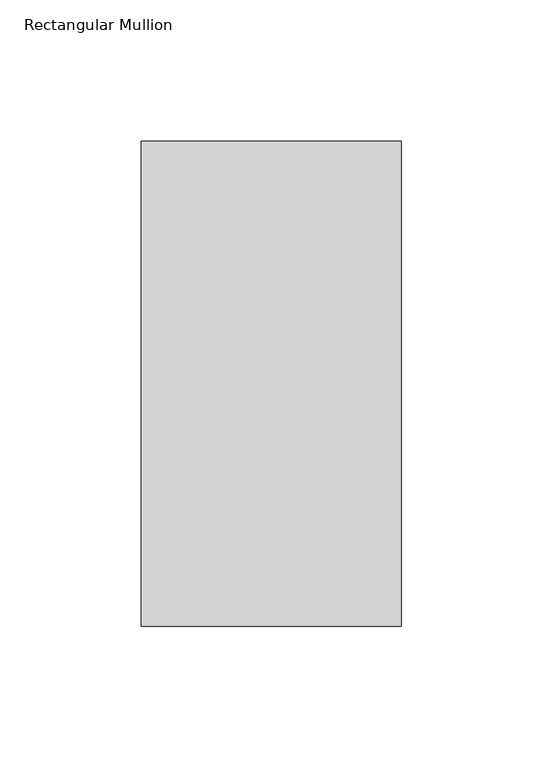
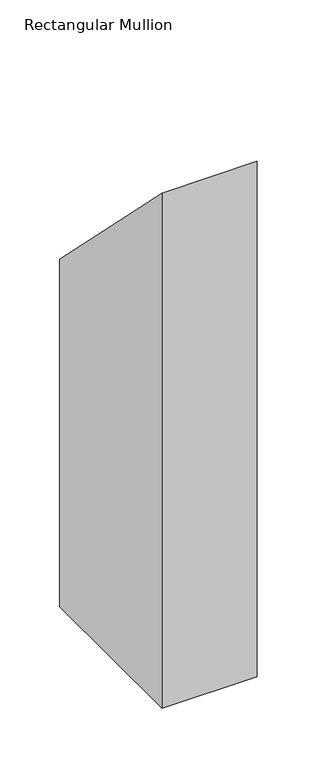
"""IFC4 building model written with IfcOpenShell, lengths in millimetres: member geometry, Rectangular Mullion."""

from ifc_helpers import new_model, si_unit, frame, origin, place, context, project, spatial, polyline, outline, extrude, source, transform, mapped, element, save


def rectangular_mullion_55242ff1(model_context):
    return source(origin(), model_context, "Body", "SweptSolid", [
        extrude(outline(polyline([(50.820278, -50.820278), (222.5496791, -222.5496791), (222.5496791, -577.85), (50.820278, -577.85), (50.820278, -50.820278)])), frame((-92.0749999, 0.0, 0.0), z_axis=(1.0, 0.0, 0.0), x_axis=(0.0, 1.0, 0.0)), (0.0, 0.0, 1.0), 92.0749999),
    ])


if __name__ == "__main__":
    model = new_model("IFC4")
    model_context = context("Model", 3, world=origin())
    ifc_project = project(units=[si_unit("LENGTHUNIT", "METRE", prefix="MILLI")], contexts=[model_context])
    site = spatial("IfcSite", under=ifc_project)
    building = spatial("IfcBuilding", under=site)
    placement = place(None, origin())
    rectangular_mullion_shape = rectangular_mullion_55242ff1(model_context)
    element("IfcMember", 1, ObjectType="Rectangular Mullion", at=placement, inside=building, context=model_context, shape_type="MappedRepresentation", body=[
        mapped(rectangular_mullion_shape, transform((0.0, 0.0, 0.0), x_axis=(1.0, 0.0, 0.0), y_axis=(0.0, 1.0, 0.0), z_axis=(0.0, 0.0, 1.0))),
    ])
    save(model, "model.ifc")
